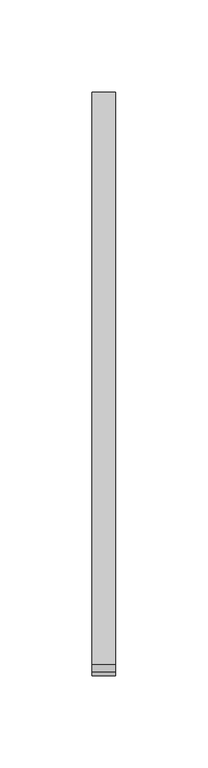
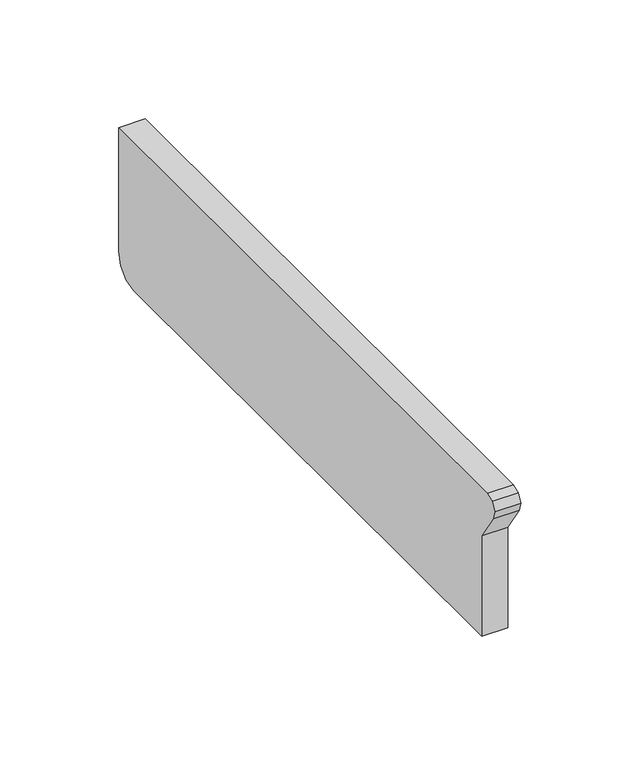
"""IFC4 building model written with IfcOpenShell, lengths in millimetres: furniture geometry."""

from ifc_helpers import new_model, si_unit, frame, origin, place, context, project, spatial, polyline, outline, extrude, source, transform, mapped, element, save


def furniture_ae8d760f(model_context):
    return source(origin(), model_context, "Body", "SweptSolid", [
        extrude(outline(polyline([(-34.4332919, 913.1935), (-326.8573867, 913.1935), (-326.8573867, 964.7376376), (-336.5789227, 979.3655692), (-337.6843422, 983.7449712), (-335.59875, 987.7513855), (-331.377278, 989.3577736), (-21.75256, 989.3577736), (-21.75256, 925.8215816), (-23.4347672, 919.5434939), (-28.0832818, 914.8949793), (-34.4332919, 913.1935)])), frame((12.3877049, 0.0, 0.0), z_axis=(1.0, 0.0, 0.0), x_axis=(0.0, 1.0, 0.0)), (0.0, 0.0, 1.0), 12.7),
    ])


if __name__ == "__main__":
    model = new_model("IFC4")
    model_context = context("Model", 3, world=origin())
    ifc_project = project(units=[si_unit("LENGTHUNIT", "METRE", prefix="MILLI")], contexts=[model_context])
    site = spatial("IfcSite", under=ifc_project)
    building = spatial("IfcBuilding", under=site)
    placement = place(None, origin())
    furniture_shape = furniture_ae8d760f(model_context)
    element("IfcFurniture", 1, at=placement, inside=building, context=model_context, shape_type="MappedRepresentation", body=[
        mapped(furniture_shape, transform((0.0, 0.0, 0.0), x_axis=(1.0, 0.0, 0.0), y_axis=(0.0, 1.0, 0.0), z_axis=(0.0, 0.0, 1.0))),
    ])
    save(model, "model.ifc")
